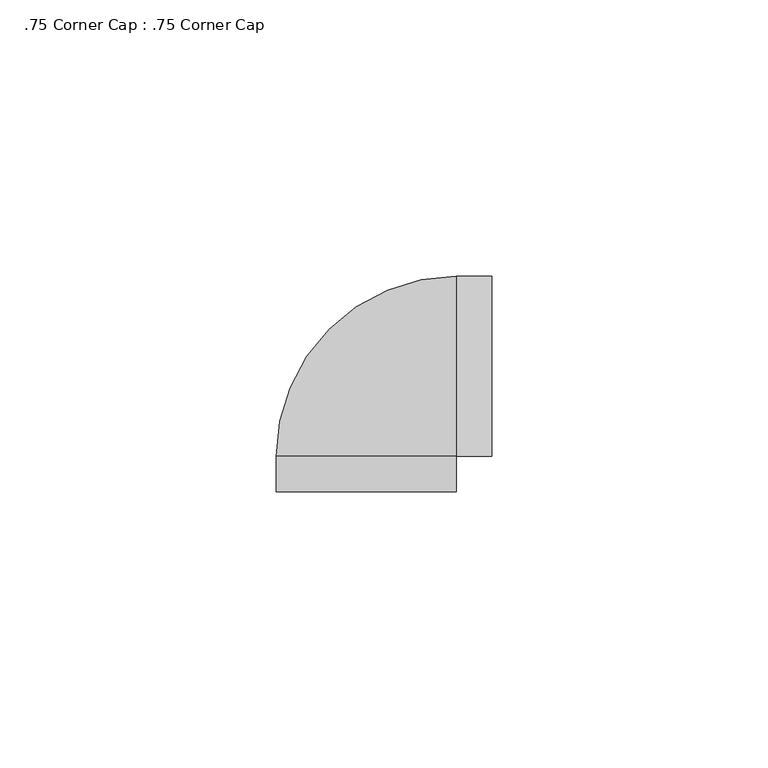
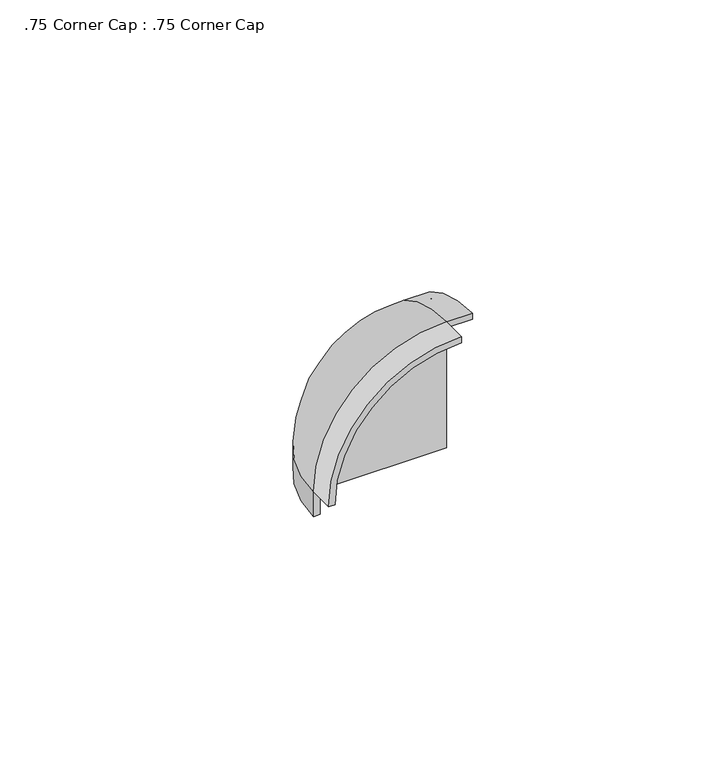
"""IFC4 building model written with IfcOpenShell, lengths in millimetres: proxy geometry, .75 Corner Cap : .75 Corner Cap."""

from ifc_helpers import new_model, si_unit, point, frame, origin, origin_with_axes, place, context, project, spatial, polyline, circle_curve, ellipse_curve, trimmed, source, transform, mapped, element, save
from ifc_brep_helpers import plane_surface, cylinder_surface, revolved_surface, advanced_brep


def proxy_75_corner_cap_75_corner_cap_f33a4390(model_context):
    return source(origin(), model_context, "Body", "AdvancedBrep", [
        advanced_brep(
        [(0.0, 0.0, 6.35), (0.0, 0.0, 37.30625), (-30.95625, 0.0, 6.35), (6.35, 0.0, 37.30625), (6.35, 30.95625, 6.35), (6.35, 32.54375, 6.35), (6.35, 0.0, 38.89375), (-32.54375, -6.35, 6.35), (-30.95625, -6.35, 6.35), (0.0, -6.35, 37.30625), (0.0, -6.35, 38.89375), (-32.54375, 0.0, 6.35), (0.0, 30.95625, 6.35), (0.0, 0.0, 38.89375), (0.0, 30.95625, 0.0), (0.0, 32.54375, 0.0), (0.0, 32.54375, 6.35), (-32.54375, 0.0, 0.0), (-30.95625, 0.0, 0.0)],
        [
            (0, 1),
            (1, 2, circle_curve(frame((0.0, 0.0, 6.35), z_axis=(0.0, -1.0, 0.0), x_axis=(1.0, 0.0, 0.0)), 30.95625)),
            (2, 0),
            (3, 4, circle_curve(frame((6.35, 0.0, 6.35), z_axis=(-1.0, 0.0, 0.0), x_axis=(0.0, 1.0, 0.0)), 30.95625)),
            (4, 5),
            (5, 6, circle_curve(frame((6.35, 0.0, 6.35), z_axis=(1.0, 0.0, 0.0), x_axis=(0.0, 1.0, 0.0)), 32.54375)),
            (6, 3),
            (7, 8),
            (8, 9, circle_curve(frame((0.0, -6.35, 6.35), z_axis=(0.0, 1.0, 0.0), x_axis=(1.0, 0.0, 0.0)), 30.95625)),
            (9, 10),
            (10, 7, circle_curve(frame((0.0, -6.35, 6.35), z_axis=(0.0, -1.0, 0.0), x_axis=(-1.0, 0.0, 0.0)), 32.54375)),
            (7, 11),
            (11, 2),
            (2, 8),
            (2, 12, circle_curve(frame((0.0, 0.0, 6.35), z_axis=(0.0, 0.0, -1.0), x_axis=(1.0, 0.0, 0.0)), 30.95625)),
            (12, 0),
            (1, 9),
            (1, 13),
            (13, 10),
            (12, 1, circle_curve(frame((0.0, 0.0, 6.35), z_axis=(1.0, 0.0, 0.0), x_axis=(0.0, 1.0, 0.0)), 30.95625)),
            (14, 15),
            (15, 16),
            (16, 12),
            (12, 14),
            (13, 11, circle_curve(frame((0.0, 0.0, 6.35), z_axis=(0.0, -1.0, 0.0), x_axis=(-1.0, 0.0, 0.0)), 32.54375)),
            (13, 16, circle_curve(frame((0.0, 0.0, 6.35), z_axis=(-1.0, 0.0, 0.0), x_axis=(0.0, 1.0, 0.0)), 32.54375)),
            (16, 11, circle_curve(frame((0.0, 0.0, 6.35), z_axis=(0.0, 0.0, 1.0), x_axis=(0.0, 1.0, 0.0)), 32.54375)),
            (17, 15, circle_curve(frame((0.0, 0.0, 0.0), z_axis=(0.0, 0.0, -1.0), x_axis=(0.0, 1.0, 0.0)), 32.54375)),
            (14, 18, circle_curve(origin_with_axes(), 30.95625)),
            (18, 17),
            (18, 2),
            (11, 17),
            (3, 1),
            (12, 4),
            (16, 5),
            (13, 6),
        ],
        [
            plane_surface(frame((0.0, 0.0, 0.0), z_axis=(0.0, -1.0, 0.0), x_axis=(-1.0, 0.0, 0.0))),
            plane_surface(frame((6.35, 30.95625, 6.35), z_axis=(1.0, 0.0, 0.0), x_axis=(0.0, 0.0, -1.0))),
            plane_surface(frame((-32.54375, -6.35, 6.35), z_axis=(0.0, -1.0, 0.0), x_axis=(1.0, 0.0, 0.0))),
            plane_surface(frame((-32.54375, -6.35, 6.35), z_axis=(0.0, 0.0, -1.0), x_axis=(0.0, 1.0, 0.0))),
            revolved_surface(polyline([(30.95625, 0.0, 6.35), (30.95625, -6.35, 6.35)]), (0.0, 0.0, 6.35), (0.0, 1.0, 0.0)),
            plane_surface(frame((0.0, -6.35, 37.30625), z_axis=(1.0, 0.0, 0.0), x_axis=(0.0, 1.0, 0.0))),
            cylinder_surface(frame((0.0, 0.0, 6.35), z_axis=(0.0, -1.0, 0.0), x_axis=(-1.0, 0.0, 0.0)), 32.54375),
            revolved_surface(trimmed(ellipse_curve(frame((0.0, 0.0, 6.35), z_axis=(1.0, 0.0, 0.0), x_axis=(0.0, 1.0, 0.0)), 32.54375, 32.54375), [point((0.0, 32.54375, 6.35))], [point((0.0, 0.0, 38.89375))], True, "CARTESIAN"), (0.0, 0.0, 0.0), (0.0, 0.0, 1.0)),
            plane_surface(frame((-32.54375, 0.0, 0.0), z_axis=(0.0, 0.0, -1.0), x_axis=(-1.0, 0.0, 0.0))),
            plane_surface(frame((-32.54375, 0.0, 6.35), z_axis=(0.0, -1.0, 0.0), x_axis=(0.0, 0.0, -1.0))),
            revolved_surface(polyline([(30.95625, 0.0, 0.0), (30.95625, 0.0, 6.35)]), (0.0, 0.0, 0.0), (0.0, 0.0, -1.0)),
            cylinder_surface(frame((0.0, 0.0, 0.0), z_axis=(0.0, 0.0, 1.0), x_axis=(0.0, 1.0, 0.0)), 32.54375),
            revolved_surface(polyline([(0.0, 30.95625, 6.35), (6.35, 30.95625, 6.35)]), (0.0, 0.0, 6.35), (-1.0, 0.0, 0.0)),
            plane_surface(frame((6.35, 30.95625, 6.35), z_axis=(0.0, 5.1612047968774326e-12, -1.0), x_axis=(-1.0, 0.0, 0.0))),
            cylinder_surface(frame((0.0, 0.0, 6.35), z_axis=(1.0, 0.0, 0.0), x_axis=(0.0, 1.0, 0.0)), 32.54375),
            plane_surface(frame((6.35, 0.0, 38.89375), z_axis=(0.0, -1.0, 0.0), x_axis=(-1.0, 0.0, 0.0))),
        ],
        [
            (0, [[1, 2, 3]]),
            (1, [[4, 5, 6, 7]]),
            (2, [[8, 9, 10, 11]]),
            (3, [[-8, 12, 13, 14]]),
            (3, [[-3, 15, 16]]),
            (4, [[-9, -14, -2, 17]]),
            (5, [[-10, -17, 18, 19]]),
            (5, [[-1, -16, 20]]),
            (5, [[21, 22, 23, 24]]),
            (6, [[-11, -19, 25, -12]]),
            (7, [[-25, 26, 27]]),
            (8, [[28, -21, 29, 30]]),
            (9, [[-30, 31, -13, 32]]),
            (10, [[-29, -24, -15, -31]]),
            (11, [[-28, -32, -27, -22]]),
            (12, [[-4, 33, -20, 34]]),
            (13, [[-5, -34, -23, 35]]),
            (14, [[-6, -35, -26, 36]]),
            (15, [[-7, -36, -18, -33]]),
        ],
    ),
    ])


if __name__ == "__main__":
    model = new_model("IFC4")
    model_context = context("Model", 3, world=origin())
    ifc_project = project(units=[si_unit("LENGTHUNIT", "METRE", prefix="MILLI")], contexts=[model_context])
    site = spatial("IfcSite", under=ifc_project)
    building = spatial("IfcBuilding", under=site)
    placement = place(None, origin())
    proxy_75_corner_cap_75_corner_cap_shape = proxy_75_corner_cap_75_corner_cap_f33a4390(model_context)
    element("IfcBuildingElementProxy", 1, Name=".75 Corner Cap : .75 Corner Cap", ObjectType=".75 Corner Cap : .75 Corner Cap", at=placement, inside=building, context=model_context, shape_type="MappedRepresentation", body=[
        mapped(proxy_75_corner_cap_75_corner_cap_shape, transform((0.0, 0.0, 0.0), x_axis=(1.0, 0.0, 0.0), y_axis=(0.0, 1.0, 0.0), z_axis=(0.0, 0.0, 1.0))),
    ])
    save(model, "model.ifc")
